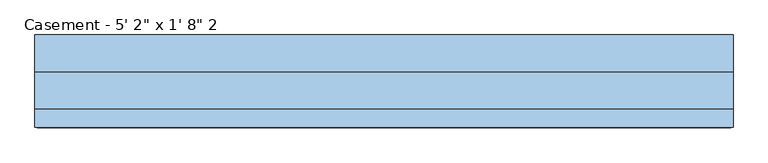
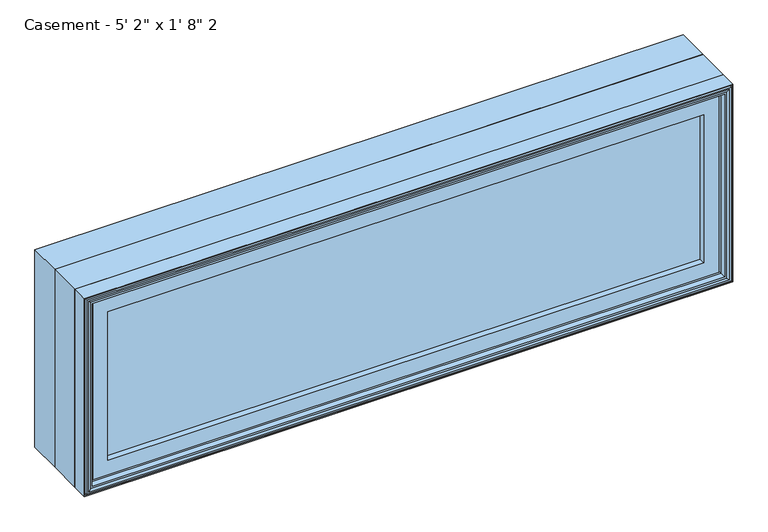
"""IFC4 building model written with IfcOpenShell, lengths in millimetres: window geometry."""

from ifc_helpers import new_model, si_unit, frame, origin, place, context, project, spatial, polyline, outline, extrude, faceted_brep, source, transform, mapped, element, save


def window_527753c1(model_context):
    return source(origin(), model_context, "Body", "SolidModel", [
        extrude(outline(polyline([(735.409375, -74.0770729), (735.409375, -91.5395729), (-735.3849783, -91.5395729), (-735.3849783, -74.0770729), (735.409375, -74.0770729)])), frame((0.0, 0.0, 971.5119), z_axis=(0.0, 0.0, 1.0), x_axis=(1.0, 0.0, 0.0)), (0.0, 0.0, 1.0), 393.7762),
        extrude(outline(polyline([(1422.4, -787.4), (914.4, -787.4), (914.4, 787.4), (1422.4, 787.4), (1422.4, -787.4)]), holes=[polyline([(930.275, -771.525), (1406.525, -771.525), (1406.525, 771.525), (930.275, 771.525), (930.275, -771.525)])]), frame((0.0, 6.1515625, 0.0), z_axis=(0.0, 1.0, 0.0), x_axis=(0.0, 0.0, 1.0)), (0.0, 0.0, 1.0), 82.7484375),
        faceted_brep([(-735.3849783, -74.0770729, 966.4150217), (-735.3849783, -74.0770729, 1370.3849783), (-735.3849783, -91.5395729, 1370.3849783), (-735.3849783, -91.5395729, 966.4150217), (-723.7015625, -72.8793953, 978.0984375), (-723.7015625, -72.8793953, 1358.7015625), (-723.7015625, -74.0770729, 1358.7015625), (-723.7015625, -74.0770729, 978.0984375), (-726.4498111, -59.9499024, 975.3501889), (-726.4498111, -59.9499024, 1361.4498111), (-754.4341084, -91.5395729, 947.3658916), (-754.4341084, -91.5395729, 1389.4341084), (-754.4341084, -59.9499024, 1389.4341084), (-754.4341084, -59.9499024, 947.3658916), (735.3849783, -74.0770729, 1370.3849783), (735.3849783, -91.5395729, 1370.3849783), (723.7015625, -72.8793953, 1358.7015625), (723.7015625, -74.0770729, 1358.7015625), (726.4498111, -59.9499024, 1361.4498111), (754.4341084, -91.5395729, 1389.4341084), (754.4341084, -59.9499024, 1389.4341084), (735.3849783, -74.0770729, 966.4150217), (735.3849783, -91.5395729, 966.4150217), (723.7015625, -72.8793953, 978.0984375), (723.7015625, -74.0770729, 978.0984375), (726.4498111, -59.9499024, 975.3501889), (754.4341084, -91.5395729, 947.3658916), (754.4341084, -59.9499024, 947.3658916)], [[[0, 1, 2, 3]], [[4, 5, 6, 7]], [[8, 9, 5, 4]], [[10, 11, 12, 13]], [[1, 14, 15, 2]], [[5, 16, 17, 6]], [[9, 18, 16, 5]], [[11, 19, 20, 12]], [[14, 21, 22, 15]], [[16, 23, 24, 17]], [[18, 25, 23, 16]], [[19, 26, 27, 20]], [[11, 10, 26, 19], [3, 2, 15, 22]], [[21, 0, 3, 22]], [[1, 0, 21, 14], [7, 6, 17, 24]], [[23, 4, 7, 24]], [[25, 8, 4, 23]], [[13, 12, 20, 27], [9, 8, 25, 18]], [[26, 10, 13, 27]]]),
        extrude(outline(polyline([(1395.5033048, -760.5033048), (941.2966952, -760.5033048), (941.2966952, 760.5033048), (1395.5033048, 760.5033048), (1395.5033048, -760.5033048)]), holes=[polyline([(978.0984375, -723.7015625), (1358.7015625, -723.7015625), (1358.7015625, 723.7015625), (978.0984375, 723.7015625), (978.0984375, -723.7015625)])]), frame((0.0, -106.9883505, 0.0), z_axis=(0.0, 1.0, 0.0), x_axis=(0.0, 0.0, 1.0)), (0.0, 0.0, 1.0), 15.4487776),
        faceted_brep([(-772.8220166, -119.2736375, 928.9779834), (-772.8220166, -119.2736375, 1407.8220166), (-778.155345, -120.8484375, 1413.155345), (-778.155345, -120.8484375, 923.644655), (-767.9526868, -104.4927591, 933.8473132), (-767.9526868, -104.4927591, 1402.9526868), (-767.9526868, -119.2736375, 1402.9526868), (-767.9526868, -119.2736375, 933.8473132), (-766.7244, -90.3195591, 935.0756), (-766.7244, -90.3195591, 1401.7244), (-766.7244, -79.171779, 935.0756), (-766.7244, -79.171779, 1401.7244), (-787.4, -119.6932773, 914.4), (-787.4, -119.6932773, 1422.4), (-787.4, -79.171779, 1422.4), (-787.4, -79.171779, 914.4), (-785.114, -111.1241649, 916.686), (-785.114, -111.1241649, 1420.114), (-785.114, -119.6932773, 1420.114), (-785.114, -119.6932773, 916.686), (-782.3962, -120.8484375, 919.4038), (-782.3962, -120.8484375, 1417.3962), (-782.3962, -111.1241649, 1417.3962), (-782.3962, -111.1241649, 919.4038), (772.8220166, -119.2736375, 1407.8220166), (778.155345, -120.8484375, 1413.155345), (767.9526868, -104.4927591, 1402.9526868), (767.9526868, -119.2736375, 1402.9526868), (766.7244, -90.3195591, 1401.7244), (766.7244, -79.171779, 1401.7244), (787.4, -119.6932773, 1422.4), (787.4, -79.171779, 1422.4), (785.114, -111.1241649, 1420.114), (785.114, -119.6932773, 1420.114), (782.3962, -120.8484375, 1417.3962), (782.3962, -111.1241649, 1417.3962), (772.8220166, -119.2736375, 928.9779834), (778.155345, -120.8484375, 923.644655), (767.9526868, -104.4927591, 933.8473132), (767.9526868, -119.2736375, 933.8473132), (766.7244, -90.3195591, 935.0756), (766.7244, -79.171779, 935.0756), (787.4, -119.6932773, 914.4), (787.4, -79.171779, 914.4), (785.114, -111.1241649, 916.686), (785.114, -119.6932773, 916.686), (782.3962, -120.8484375, 919.4038), (782.3962, -111.1241649, 919.4038)], [[[0, 1, 2, 3]], [[4, 5, 6, 7]], [[8, 9, 5, 4]], [[10, 11, 9, 8]], [[12, 13, 14, 15]], [[16, 17, 18, 19]], [[20, 21, 22, 23]], [[1, 24, 25, 2]], [[5, 26, 27, 6]], [[9, 28, 26, 5]], [[11, 29, 28, 9]], [[13, 30, 31, 14]], [[17, 32, 33, 18]], [[21, 34, 35, 22]], [[24, 36, 37, 25]], [[26, 38, 39, 27]], [[28, 40, 38, 26]], [[29, 41, 40, 28]], [[30, 42, 43, 31]], [[32, 44, 45, 33]], [[34, 46, 47, 35]], [[36, 0, 3, 37]], [[1, 0, 36, 24], [7, 6, 27, 39]], [[38, 4, 7, 39]], [[40, 8, 4, 38]], [[41, 10, 8, 40]], [[15, 14, 31, 43], [11, 10, 41, 29]], [[42, 12, 15, 43]], [[13, 12, 42, 30], [19, 18, 33, 45]], [[44, 16, 19, 45]], [[17, 16, 44, 32], [23, 22, 35, 47]], [[46, 20, 23, 47]], [[21, 20, 46, 34], [3, 2, 25, 37]]]),
        faceted_brep([(-787.4, -79.171779, 914.4), (-787.4, -79.171779, 1422.4), (-787.4, 6.1515625, 1422.4), (-787.4, 6.1515625, 914.4), (-767.7404, -66.7563278, 934.0596), (-767.7404, -66.7563278, 1402.7404), (-767.7404, -79.171779, 1402.7404), (-767.7404, -79.171779, 934.0596), (-761.2634, -59.7093984, 940.5366), (-761.2634, -59.7093984, 1396.2634), (-761.2634, -66.7563278, 1396.2634), (-761.2634, -66.7563278, 940.5366), (-739.775, -39.9279649, 962.025), (-739.775, -39.9279649, 1374.775), (-739.775, -59.7093984, 1374.775), (-739.775, -59.7093984, 962.025), (-743.7374, -10.9227338, 958.0626), (-743.7374, -10.9227338, 1378.7374), (-743.7374, -39.9279649, 1378.7374), (-743.7374, -39.9279649, 958.0626), (787.4, -79.171779, 1422.4), (787.4, 6.1515625, 1422.4), (767.7404, -66.7563278, 1402.7404), (767.7404, -79.171779, 1402.7404), (761.2634, -59.7093984, 1396.2634), (761.2634, -66.7563278, 1396.2634), (739.775, -39.9279649, 1374.775), (739.775, -59.7093984, 1374.775), (743.7374, -10.9227338, 1378.7374), (743.7374, -39.9279649, 1378.7374), (787.4, -79.171779, 914.4), (787.4, 6.1515625, 914.4), (767.7404, -66.7563278, 934.0596), (767.7404, -79.171779, 934.0596), (761.2634, -59.7093984, 940.5366), (761.2634, -66.7563278, 940.5366), (739.775, -39.9279649, 962.025), (739.775, -59.7093984, 962.025), (743.7374, -10.9227338, 958.0626), (743.7374, -39.9279649, 958.0626), (-765.1761112, 6.1515625, 1400.1761112), (-765.1761112, 6.1515625, 936.6238888), (765.1761112, 6.1515625, 936.6238888), (765.1761112, 6.1515625, 1400.1761112), (-765.1761112, -10.9227338, 936.6238888), (-765.1761112, -10.9227338, 1400.1761112), (765.1761112, -10.9227338, 1400.1761112), (765.1761112, -10.9227338, 936.6238888)], [[[0, 1, 2, 3]], [[4, 5, 6, 7]], [[8, 9, 10, 11]], [[12, 13, 14, 15]], [[16, 17, 18, 19]], [[1, 20, 21, 2]], [[5, 22, 23, 6]], [[9, 24, 25, 10]], [[13, 26, 27, 14]], [[17, 28, 29, 18]], [[20, 30, 31, 21]], [[22, 32, 33, 23]], [[24, 34, 35, 25]], [[26, 36, 37, 27]], [[28, 38, 39, 29]], [[3, 2, 21, 31], [40, 41, 42, 43]], [[30, 0, 3, 31]], [[1, 0, 30, 20], [7, 6, 23, 33]], [[32, 4, 7, 33]], [[5, 4, 32, 22], [11, 10, 25, 35]], [[34, 8, 11, 35]], [[9, 8, 34, 24], [15, 14, 27, 37]], [[36, 12, 15, 37]], [[19, 18, 29, 39], [13, 12, 36, 26]], [[38, 16, 19, 39]], [[44, 45, 46, 47], [17, 16, 38, 28]], [[41, 40, 45, 44]], [[40, 43, 46, 45]], [[43, 42, 47, 46]], [[42, 41, 44, 47]]]),
    ])


if __name__ == "__main__":
    model = new_model("IFC4")
    model_context = context("Model", 3, world=origin())
    ifc_project = project(units=[si_unit("LENGTHUNIT", "METRE", prefix="MILLI")], contexts=[model_context])
    site = spatial("IfcSite", under=ifc_project)
    building = spatial("IfcBuilding", under=site)
    placement = place(None, origin())
    window_shape = window_527753c1(model_context)
    element("IfcWindow", 1, ObjectType="Casement - 5' 2\" x 1' 8\" 2", at=placement, inside=building, context=model_context, shape_type="MappedRepresentation", body=[
        mapped(window_shape, transform((0.0, 0.0, 0.0), x_axis=(1.0, 0.0, 0.0), y_axis=(0.0, 1.0, 0.0), z_axis=(0.0, 0.0, 1.0))),
    ])
    save(model, "model.ifc")
